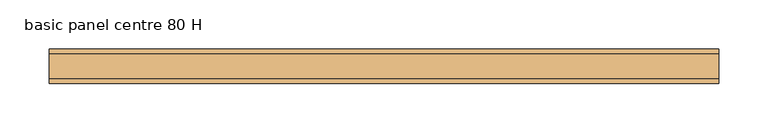
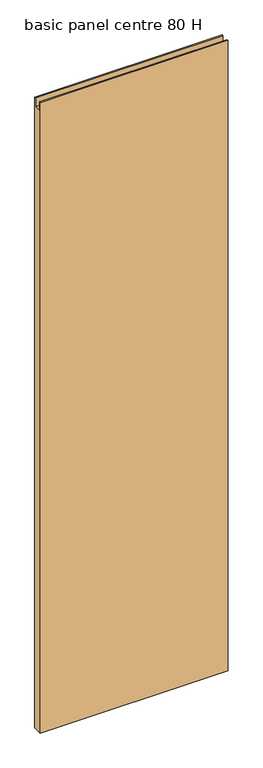
"""IFC4 building model written with IfcOpenShell, lengths in millimetres: door geometry, basic panel centre 80 H."""

import ifcopenshell
import ifcopenshell.guid

model = None  # the IFC model being written
_history = None  # IfcOwnerHistory: only IFC2X3 demands one
_inside = {}  # id of a spatial element -> (the spatial element, [elements in it])
_under = {}  # id of a project, library or spatial element -> (it, [spatial elements below it])
_declared = {}  # id of a project -> (the project, [libraries it declares])
_typed = {}  # id of a type object -> (the type object, [elements of that type])
_made_of = {}  # id of a material, layer set ... -> (it, [elements and type objects made of it])


def new_model(schema):
    """Start an empty IFC model of exactly this schema.

    Asked for "IFC4X3", IfcOpenShell would pick the latest addendum, in which some entities
    have other attributes; the version numbers below select the first issue.
    IFC2X3 requires an IfcOwnerHistory on every rooted entity: one is made here for all.
    """
    global model, _history
    if schema == "IFC4X3":
        model = ifcopenshell.file(schema_version=(4, 3, 0, 0))
    else:
        model = ifcopenshell.file(schema=schema)
    _inside.clear()
    _under.clear()
    _declared.clear()
    _typed.clear()
    _made_of.clear()
    _history = None
    if model.schema == "IFC2X3":
        org = make("IfcOrganization", Name="unknown")
        user = make(
            "IfcPersonAndOrganization",
            ThePerson=make("IfcPerson", FamilyName="unknown"),
            TheOrganization=org,
        )
        app = make(
            "IfcApplication",
            ApplicationDeveloper=org,
            Version="unknown",
            ApplicationFullName="unknown",
            ApplicationIdentifier="unknown",
        )
        _history = make(
            "IfcOwnerHistory",
            OwningUser=user,
            OwningApplication=app,
            ChangeAction="ADDED",
            CreationDate=0,
        )
    return model


def make(cls, **values):
    """One entity of the class cls with the attributes given. An attribute that is None is left unset."""
    return model.create_entity(
        cls, **{name: value for name, value in values.items() if value is not None}
    )


def rooted(cls, **values):
    """An entity with a GlobalId (a new one), such as an element, a storey or a relation."""
    return make(cls, GlobalId=ifcopenshell.guid.new(), OwnerHistory=_history, **values)


def si_unit(unit_type, name, prefix=None):
    """IfcSIUnit, for example si_unit("LENGTHUNIT", "METRE", prefix="MILLI")."""
    return make("IfcSIUnit", UnitType=unit_type, Prefix=prefix, Name=name)


def assignment(units):
    """IfcUnitAssignment: the units of a project."""
    return None if units is None else make("IfcUnitAssignment", Units=units)


def point(xyz):
    """IfcCartesianPoint."""
    return None if xyz is None else make("IfcCartesianPoint", Coordinates=xyz)


def direction(xyz):
    """IfcDirection."""
    return None if xyz is None else make("IfcDirection", DirectionRatios=xyz)


def frame(location, z_axis=None, x_axis=None):
    """IfcAxis2Placement3D, a coordinate frame: its origin and axes. An axis left out is left unset."""
    return make(
        "IfcAxis2Placement3D",
        Location=point(location),
        Axis=direction(z_axis),
        RefDirection=direction(x_axis),
    )


def origin():
    """The frame at (0, 0, 0) with its axes left unset."""
    return frame((0.0, 0.0, 0.0))


def place(relative_to, where):
    """IfcLocalPlacement: puts the frame where relative to a parent placement (None: the world)."""
    return make(
        "IfcLocalPlacement", PlacementRelTo=relative_to, RelativePlacement=where
    )


def context(
    kind, dimensions, precision=None, world=None, true_north=None, identifier=None
):
    """IfcGeometricRepresentationContext, for example the 3D "Model" context."""
    return make(
        "IfcGeometricRepresentationContext",
        ContextIdentifier=identifier,
        ContextType=kind,
        CoordinateSpaceDimension=dimensions,
        Precision=precision,
        WorldCoordinateSystem=world,
        TrueNorth=true_north,
    )


def project(units=None, contexts=None):
    """IfcProject with its units and contexts."""
    return rooted(
        "IfcProject",
        Name="project",
        RepresentationContexts=contexts,
        UnitsInContext=assignment(units),
    )


def spatial(cls, under=None, at=None, **own):
    """A site, building, storey or space (cls), placed at a placement, below another one or the project."""
    s = rooted(cls, ObjectPlacement=at, **own)
    if under is not None:
        _under.setdefault(under.id(), (under, []))[1].append(s)
    return s


def polyline(points):
    """IfcPolyline through the points."""
    return make("IfcPolyline", Points=[point(p) for p in points])


def outline(outer, holes=None, kind="AREA"):
    """IfcArbitraryClosedProfileDef: a profile drawn as a closed curve; with holes, ...WithVoids."""
    if holes is None:
        return make("IfcArbitraryClosedProfileDef", ProfileType=kind, OuterCurve=outer)
    return make(
        "IfcArbitraryProfileDefWithVoids",
        ProfileType=kind,
        OuterCurve=outer,
        InnerCurves=holes,
    )


def extrude(swept, where, along, depth):
    """IfcExtrudedAreaSolid: the profile swept, set in the frame where, extruded along a direction by depth."""
    return make(
        "IfcExtrudedAreaSolid",
        SweptArea=swept,
        Position=where,
        ExtrudedDirection=direction(along),
        Depth=depth,
    )


def shape(context_of_items, identifier, shape_type, items):
    """IfcShapeRepresentation: the items that make up one representation, for example the "Body"."""
    return make(
        "IfcShapeRepresentation",
        ContextOfItems=context_of_items,
        RepresentationIdentifier=identifier,
        RepresentationType=shape_type,
        Items=items,
    )


def source(mapping_origin, context_of_items, identifier, shape_type, items):
    """IfcRepresentationMap: a shape defined once, which mapped items show again and again."""
    return make(
        "IfcRepresentationMap",
        MappingOrigin=mapping_origin,
        MappedRepresentation=shape(context_of_items, identifier, shape_type, items),
    )


def transform(
    local_origin,
    x_axis=None,
    y_axis=None,
    z_axis=None,
    scale=None,
    scale2=None,
    scale3=None,
    uniform=True,
):
    """IfcCartesianTransformationOperator3D, or its non-uniform kind. x_axis, y_axis, z_axis: its Axis1, 2, 3."""
    if uniform:
        return make(
            "IfcCartesianTransformationOperator3D",
            Axis1=direction(x_axis),
            Axis2=direction(y_axis),
            LocalOrigin=point(local_origin),
            Scale=scale,
            Axis3=direction(z_axis),
        )
    return make(
        "IfcCartesianTransformationOperator3DnonUniform",
        Axis1=direction(x_axis),
        Axis2=direction(y_axis),
        LocalOrigin=point(local_origin),
        Scale=scale,
        Axis3=direction(z_axis),
        Scale2=scale2,
        Scale3=scale3,
    )


def mapped(mapping_source, mapping_target):
    """IfcMappedItem: shows the shape of a source again, moved by a transform."""
    return make(
        "IfcMappedItem", MappingSource=mapping_source, MappingTarget=mapping_target
    )


def made_of(thing, what):
    """Note that an element or type object is made of a material, layer set ...; save() writes the relation."""
    if what is not None:
        _made_of.setdefault(what.id(), (what, []))[1].append(thing)
    return thing


def element(
    cls,
    number,
    at=None,
    inside=None,
    cuts=None,
    type_object=None,
    material=None,
    context=None,
    identifier="Body",
    shape_type=None,
    held_by="IfcProductDefinitionShape",
    body=None,
    shapes=None,
    **own,
):
    """One element of the class cls, such as IfcWall. Its Tag is "e" and its number.

    at: its placement. inside: the storey or other place that contains it. cuts: it is an
    opening in that element (IfcRelVoidsElement). A single representation is given by context,
    identifier, shape_type and body (its items); several are given by shapes. held_by: the class
    of the entity that holds the representations. save() writes the other relations.
    """
    e = rooted(cls, Tag="e%d" % number, ObjectPlacement=at, **own)
    if body is not None:
        shapes = [shape(context, identifier, shape_type, body)]
    if shapes is not None:
        e.Representation = make(held_by, Representations=shapes)
    if inside is not None:
        _inside.setdefault(inside.id(), (inside, []))[1].append(e)
    if cuts is not None:
        rooted(
            "IfcRelVoidsElement", RelatingBuildingElement=cuts, RelatedOpeningElement=e
        )
    if type_object is not None:
        _typed.setdefault(type_object.id(), (type_object, []))[1].append(e)
    return made_of(e, material)


def aggregate(whole, parts):
    """IfcRelAggregates: a whole, such as a stair, and the parts it consists of."""
    return rooted("IfcRelAggregates", RelatingObject=whole, RelatedObjects=parts)


def save(model, path):
    """Write the relations noted so far, then the file.

    IfcRelAggregates (storeys below a building ...), IfcRelContainedInSpatialStructure (elements
    in a storey), IfcRelDefinesByType, IfcRelAssociatesMaterial and IfcRelDeclares: one each for
    every whole, place, type object, material and project.
    """
    for whole, parts in _under.values():
        aggregate(whole, parts)
    for where, things in _inside.values():
        rooted(
            "IfcRelContainedInSpatialStructure",
            RelatedElements=things,
            RelatingStructure=where,
        )
    for kind, things in _typed.values():
        rooted("IfcRelDefinesByType", RelatedObjects=things, RelatingType=kind)
    for what, things in _made_of.values():
        rooted("IfcRelAssociatesMaterial", RelatedObjects=things, RelatingMaterial=what)
    for by, libraries in _declared.values():
        rooted("IfcRelDeclares", RelatingContext=by, RelatedDefinitions=libraries)
    model.write(path)


def basic_panel_centre_80_h_9cf73bc5(model_context):
    return source(origin(), model_context, "Body", "SweptSolid", [
        extrude(outline(polyline([(17.5, 11.0), (-17.5, 11.0), (-17.5, 2431.0), (-13.0, 2431.0), (-13.0, 2397.0), (13.0, 2397.0), (13.0, 2431.0), (17.5, 2431.0), (17.5, 11.0)])), frame((-340.5714286, 0.0, 0.0), z_axis=(1.0, 0.0, 0.0), x_axis=(0.0, 1.0, 0.0)), (0.0, 0.0, 1.0), 681.1428571),
    ])


if __name__ == "__main__":
    model = new_model("IFC4")
    model_context = context("Model", 3, world=origin())
    ifc_project = project(units=[si_unit("LENGTHUNIT", "METRE", prefix="MILLI")], contexts=[model_context])
    site = spatial("IfcSite", under=ifc_project)
    building = spatial("IfcBuilding", under=site)
    placement = place(None, origin())
    basic_panel_centre_80_h_shape = basic_panel_centre_80_h_9cf73bc5(model_context)
    element("IfcDoor", 1, ObjectType="basic panel centre 80 H", at=placement, inside=building, context=model_context, shape_type="MappedRepresentation", body=[
        mapped(basic_panel_centre_80_h_shape, transform((0.0, 0.0, 0.0), x_axis=(1.0, 0.0, 0.0), y_axis=(0.0, 1.0, 0.0), z_axis=(0.0, 0.0, 1.0))),
    ])
    save(model, "model.ifc")
